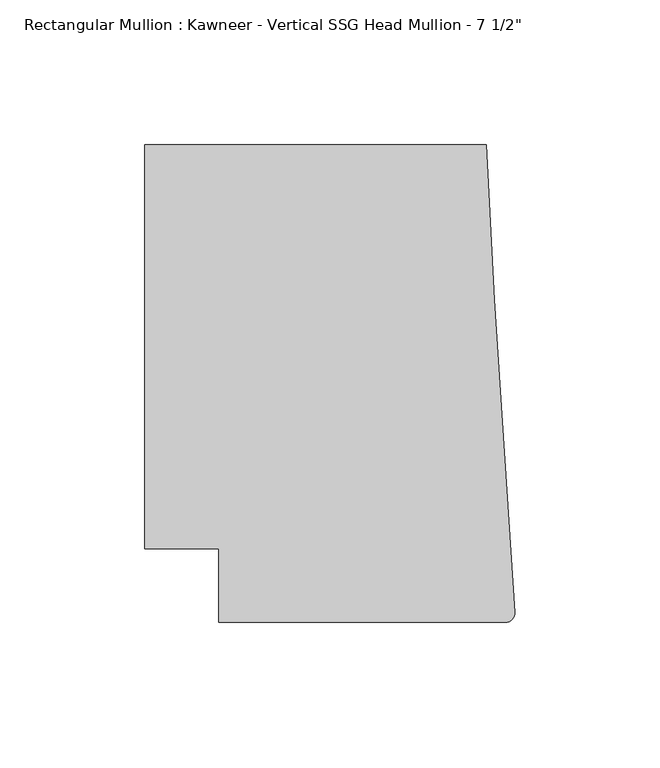
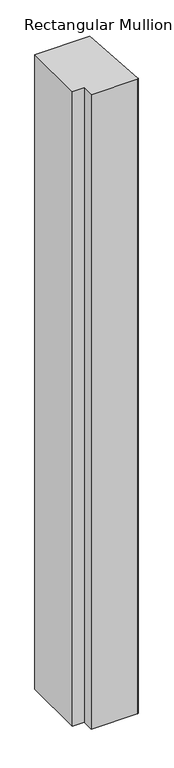
"""IFC4 building model written with IfcOpenShell, lengths in millimetres: member geometry."""

from ifc_helpers import new_model, si_unit, point, frame, frame_2d, origin, place, context, project, spatial, polyline, circle_curve, trimmed, segment, composite_curve, outline, extrude, source, transform, mapped, element, save


def member_535d7221(model_context):
    return source(origin(), model_context, "Body", "SweptSolid", [
        extrude(outline(composite_curve([segment(polyline([(-102.08978, -12.7), (-102.08978, 12.7), (-127.4896668, 12.7), (-127.4896668, 151.892), (-9.7860662, 151.892), (-6.9873394, 98.4891117), (-0.006635, -9.3198462)]), True, "CONTINUOUS"), segment(trimmed(circle_curve(frame_2d((-3.175, -9.525)), 3.175), [point((-0.006635, -9.3198462))], [point((-3.175, -12.7))], False, "CARTESIAN"), True, "CONTINUOUS"), segment(polyline([(-3.175, -12.7), (-102.08978, -12.7)]), True, "CONTINUOUS")], self_intersect=False)), frame((0.0, 0.0, -1437.1931847), z_axis=(0.0, 0.0, 1.0), x_axis=(1.0, 0.0, 0.0)), (0.0, 0.0, 1.0), 1437.1931847),
    ])


if __name__ == "__main__":
    model = new_model("IFC4")
    model_context = context("Model", 3, world=origin())
    ifc_project = project(units=[si_unit("LENGTHUNIT", "METRE", prefix="MILLI")], contexts=[model_context])
    site = spatial("IfcSite", under=ifc_project)
    building = spatial("IfcBuilding", under=site)
    placement = place(None, origin())
    member_shape = member_535d7221(model_context)
    element("IfcMember", 1, ObjectType="Rectangular Mullion : Kawneer - Vertical SSG Head Mullion - 7 1/2\"", at=placement, inside=building, context=model_context, shape_type="MappedRepresentation", body=[
        mapped(member_shape, transform((0.0, 0.0, 0.0), x_axis=(1.0, 0.0, 0.0), y_axis=(0.0, 1.0, 0.0), z_axis=(0.0, 0.0, 1.0))),
    ])
    save(model, "model.ifc")
